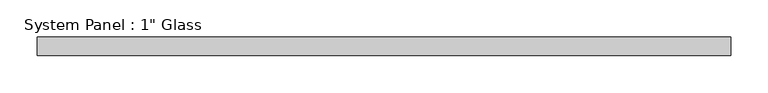
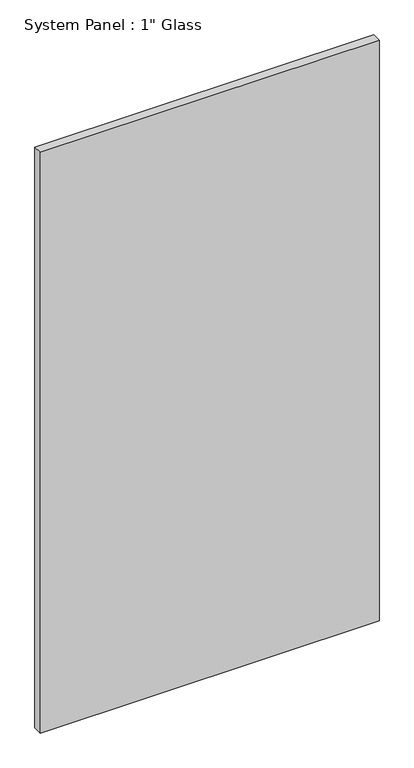
"""IFC4 building model written with IfcOpenShell, lengths in millimetres: plate geometry."""

from ifc_helpers import new_model, si_unit, origin, origin_with_axes, place, context, project, spatial, polyline, outline, extrude, source, transform, mapped, element, save


def plate_59039456(model_context):
    return source(origin(), model_context, "Body", "SweptSolid", [
        extrude(outline(polyline([(467.8602332, -12.7), (-467.8602332, -12.7), (-467.8602332, 12.7), (467.8602332, 12.7), (467.8602332, -12.7)])), origin_with_axes(), (0.0, 0.0, 1.0), 1695.45),
    ])


if __name__ == "__main__":
    model = new_model("IFC4")
    model_context = context("Model", 3, world=origin())
    ifc_project = project(units=[si_unit("LENGTHUNIT", "METRE", prefix="MILLI")], contexts=[model_context])
    site = spatial("IfcSite", under=ifc_project)
    building = spatial("IfcBuilding", under=site)
    placement = place(None, origin())
    plate_shape = plate_59039456(model_context)
    element("IfcPlate", 1, ObjectType="System Panel : 1\" Glass", at=placement, inside=building, context=model_context, shape_type="MappedRepresentation", body=[
        mapped(plate_shape, transform((0.0, 0.0, 0.0), x_axis=(1.0, 0.0, 0.0), y_axis=(0.0, 1.0, 0.0), z_axis=(0.0, 0.0, 1.0))),
    ])
    save(model, "model.ifc")
